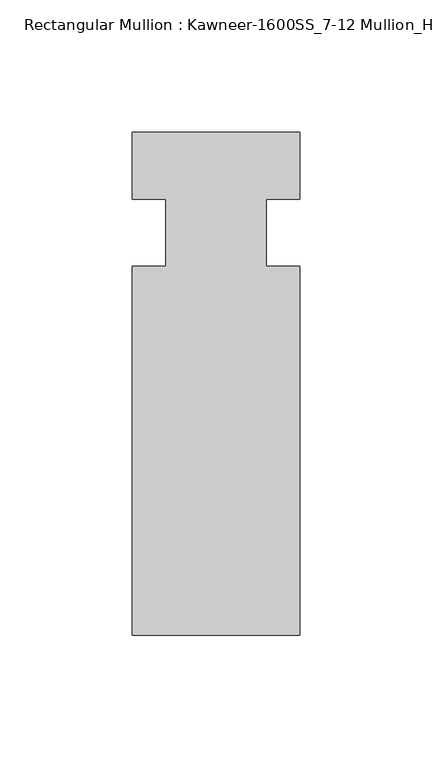
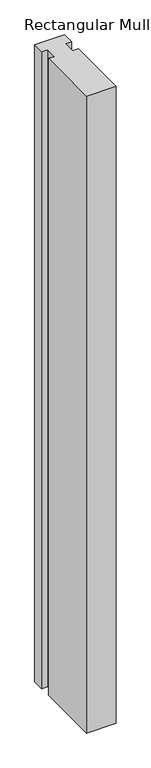
"""IFC4 building model written with IfcOpenShell, lengths in millimetres: member geometry, Rectangular Mullion : Kawneer-1600SS_7-12 Mullion_Horizontal."""

from ifc_helpers import new_model, si_unit, frame, origin, place, context, project, spatial, polyline, outline, extrude, source, transform, mapped, element, save


def rectangular_mullion_kawneer_1600ss_7_12_mullion_horizontal_e38fdb4e(model_context):
    return source(origin(), model_context, "Body", "SweptSolid", [
        extrude(outline(polyline([(36.0844027, -152.4), (-27.4155973, -152.4), (-27.4155973, -12.7), (-14.7155973, -12.7), (-14.7155973, 12.7), (-27.4155973, 12.7), (-27.4155973, 38.1), (36.0844027, 38.1), (36.0844027, 12.7), (23.3826322, 12.7), (23.3826322, -12.7), (36.0844027, -12.7), (36.0844027, -152.4)])), frame((0.0, 0.0, -1433.0844027), z_axis=(0.0, 0.0, 1.0), x_axis=(1.0, 0.0, 0.0)), (0.0, 0.0, 1.0), 1433.0844027),
    ])


if __name__ == "__main__":
    model = new_model("IFC4")
    model_context = context("Model", 3, world=origin())
    ifc_project = project(units=[si_unit("LENGTHUNIT", "METRE", prefix="MILLI")], contexts=[model_context])
    site = spatial("IfcSite", under=ifc_project)
    building = spatial("IfcBuilding", under=site)
    placement = place(None, origin())
    rectangular_mullion_kawneer_1600ss_7_12_mullion_horizontal_shape = rectangular_mullion_kawneer_1600ss_7_12_mullion_horizontal_e38fdb4e(model_context)
    element("IfcMember", 1, ObjectType="Rectangular Mullion : Kawneer-1600SS_7-12 Mullion_Horizontal", at=placement, inside=building, context=model_context, shape_type="MappedRepresentation", body=[
        mapped(rectangular_mullion_kawneer_1600ss_7_12_mullion_horizontal_shape, transform((0.0, 0.0, 0.0), x_axis=(1.0, 0.0, 0.0), y_axis=(0.0, 1.0, 0.0), z_axis=(0.0, 0.0, 1.0))),
    ])
    save(model, "model.ifc")
